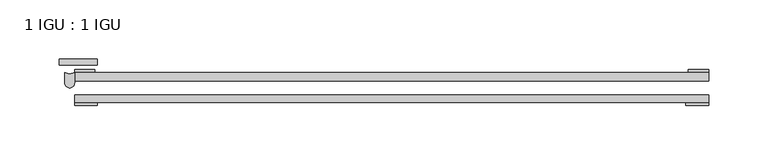
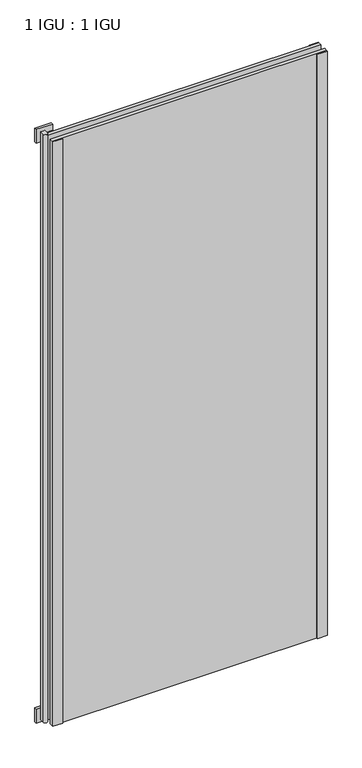
"""IFC4 building model written with IfcOpenShell, lengths in millimetres: plate geometry, 1 IGU : 1 IGU."""

import ifcopenshell
import ifcopenshell.guid

model = None  # the IFC model being written
_history = None  # IfcOwnerHistory: only IFC2X3 demands one
_inside = {}  # id of a spatial element -> (the spatial element, [elements in it])
_under = {}  # id of a project, library or spatial element -> (it, [spatial elements below it])
_declared = {}  # id of a project -> (the project, [libraries it declares])
_typed = {}  # id of a type object -> (the type object, [elements of that type])
_made_of = {}  # id of a material, layer set ... -> (it, [elements and type objects made of it])


def new_model(schema):
    """Start an empty IFC model of exactly this schema.

    Asked for "IFC4X3", IfcOpenShell would pick the latest addendum, in which some entities
    have other attributes; the version numbers below select the first issue.
    IFC2X3 requires an IfcOwnerHistory on every rooted entity: one is made here for all.
    """
    global model, _history
    if schema == "IFC4X3":
        model = ifcopenshell.file(schema_version=(4, 3, 0, 0))
    else:
        model = ifcopenshell.file(schema=schema)
    _inside.clear()
    _under.clear()
    _declared.clear()
    _typed.clear()
    _made_of.clear()
    _history = None
    if model.schema == "IFC2X3":
        org = make("IfcOrganization", Name="unknown")
        user = make(
            "IfcPersonAndOrganization",
            ThePerson=make("IfcPerson", FamilyName="unknown"),
            TheOrganization=org,
        )
        app = make(
            "IfcApplication",
            ApplicationDeveloper=org,
            Version="unknown",
            ApplicationFullName="unknown",
            ApplicationIdentifier="unknown",
        )
        _history = make(
            "IfcOwnerHistory",
            OwningUser=user,
            OwningApplication=app,
            ChangeAction="ADDED",
            CreationDate=0,
        )
    return model


def make(cls, **values):
    """One entity of the class cls with the attributes given. An attribute that is None is left unset."""
    return model.create_entity(
        cls, **{name: value for name, value in values.items() if value is not None}
    )


def rooted(cls, **values):
    """An entity with a GlobalId (a new one), such as an element, a storey or a relation."""
    return make(cls, GlobalId=ifcopenshell.guid.new(), OwnerHistory=_history, **values)


def si_unit(unit_type, name, prefix=None):
    """IfcSIUnit, for example si_unit("LENGTHUNIT", "METRE", prefix="MILLI")."""
    return make("IfcSIUnit", UnitType=unit_type, Prefix=prefix, Name=name)


def assignment(units):
    """IfcUnitAssignment: the units of a project."""
    return None if units is None else make("IfcUnitAssignment", Units=units)


def point(xyz):
    """IfcCartesianPoint."""
    return None if xyz is None else make("IfcCartesianPoint", Coordinates=xyz)


def direction(xyz):
    """IfcDirection."""
    return None if xyz is None else make("IfcDirection", DirectionRatios=xyz)


def frame(location, z_axis=None, x_axis=None):
    """IfcAxis2Placement3D, a coordinate frame: its origin and axes. An axis left out is left unset."""
    return make(
        "IfcAxis2Placement3D",
        Location=point(location),
        Axis=direction(z_axis),
        RefDirection=direction(x_axis),
    )


def frame_2d(location, x_axis=None):
    """IfcAxis2Placement2D, a coordinate frame in the plane: its origin and x axis."""
    return make(
        "IfcAxis2Placement2D", Location=point(location), RefDirection=direction(x_axis)
    )


def origin():
    """The frame at (0, 0, 0) with its axes left unset."""
    return frame((0.0, 0.0, 0.0))


def place(relative_to, where):
    """IfcLocalPlacement: puts the frame where relative to a parent placement (None: the world)."""
    return make(
        "IfcLocalPlacement", PlacementRelTo=relative_to, RelativePlacement=where
    )


def context(
    kind, dimensions, precision=None, world=None, true_north=None, identifier=None
):
    """IfcGeometricRepresentationContext, for example the 3D "Model" context."""
    return make(
        "IfcGeometricRepresentationContext",
        ContextIdentifier=identifier,
        ContextType=kind,
        CoordinateSpaceDimension=dimensions,
        Precision=precision,
        WorldCoordinateSystem=world,
        TrueNorth=true_north,
    )


def project(units=None, contexts=None):
    """IfcProject with its units and contexts."""
    return rooted(
        "IfcProject",
        Name="project",
        RepresentationContexts=contexts,
        UnitsInContext=assignment(units),
    )


def spatial(cls, under=None, at=None, **own):
    """A site, building, storey or space (cls), placed at a placement, below another one or the project."""
    s = rooted(cls, ObjectPlacement=at, **own)
    if under is not None:
        _under.setdefault(under.id(), (under, []))[1].append(s)
    return s


def polyline(points):
    """IfcPolyline through the points."""
    return make("IfcPolyline", Points=[point(p) for p in points])


def circle_curve(where, radius):
    """IfcCircle in the frame where."""
    return make("IfcCircle", Position=where, Radius=radius)


def trimmed(basis, trim1, trim2, sense, master):
    """IfcTrimmedCurve: the piece of a basis curve between two trims."""
    return make(
        "IfcTrimmedCurve",
        BasisCurve=basis,
        Trim1=trim1,
        Trim2=trim2,
        SenseAgreement=sense,
        MasterRepresentation=master,
    )


def segment(curve, same_sense, transition):
    """IfcCompositeCurveSegment."""
    return make(
        "IfcCompositeCurveSegment",
        Transition=transition,
        SameSense=same_sense,
        ParentCurve=curve,
    )


def composite_curve(segments, self_intersect=None):
    """IfcCompositeCurve: segments joined end to end."""
    return make("IfcCompositeCurve", Segments=segments, SelfIntersect=self_intersect)


def outline(outer, holes=None, kind="AREA"):
    """IfcArbitraryClosedProfileDef: a profile drawn as a closed curve; with holes, ...WithVoids."""
    if holes is None:
        return make("IfcArbitraryClosedProfileDef", ProfileType=kind, OuterCurve=outer)
    return make(
        "IfcArbitraryProfileDefWithVoids",
        ProfileType=kind,
        OuterCurve=outer,
        InnerCurves=holes,
    )


def extrude(swept, where, along, depth):
    """IfcExtrudedAreaSolid: the profile swept, set in the frame where, extruded along a direction by depth."""
    return make(
        "IfcExtrudedAreaSolid",
        SweptArea=swept,
        Position=where,
        ExtrudedDirection=direction(along),
        Depth=depth,
    )


def shape(context_of_items, identifier, shape_type, items):
    """IfcShapeRepresentation: the items that make up one representation, for example the "Body"."""
    return make(
        "IfcShapeRepresentation",
        ContextOfItems=context_of_items,
        RepresentationIdentifier=identifier,
        RepresentationType=shape_type,
        Items=items,
    )


def source(mapping_origin, context_of_items, identifier, shape_type, items):
    """IfcRepresentationMap: a shape defined once, which mapped items show again and again."""
    return make(
        "IfcRepresentationMap",
        MappingOrigin=mapping_origin,
        MappedRepresentation=shape(context_of_items, identifier, shape_type, items),
    )


def transform(
    local_origin,
    x_axis=None,
    y_axis=None,
    z_axis=None,
    scale=None,
    scale2=None,
    scale3=None,
    uniform=True,
):
    """IfcCartesianTransformationOperator3D, or its non-uniform kind. x_axis, y_axis, z_axis: its Axis1, 2, 3."""
    if uniform:
        return make(
            "IfcCartesianTransformationOperator3D",
            Axis1=direction(x_axis),
            Axis2=direction(y_axis),
            LocalOrigin=point(local_origin),
            Scale=scale,
            Axis3=direction(z_axis),
        )
    return make(
        "IfcCartesianTransformationOperator3DnonUniform",
        Axis1=direction(x_axis),
        Axis2=direction(y_axis),
        LocalOrigin=point(local_origin),
        Scale=scale,
        Axis3=direction(z_axis),
        Scale2=scale2,
        Scale3=scale3,
    )


def mapped(mapping_source, mapping_target):
    """IfcMappedItem: shows the shape of a source again, moved by a transform."""
    return make(
        "IfcMappedItem", MappingSource=mapping_source, MappingTarget=mapping_target
    )


def made_of(thing, what):
    """Note that an element or type object is made of a material, layer set ...; save() writes the relation."""
    if what is not None:
        _made_of.setdefault(what.id(), (what, []))[1].append(thing)
    return thing


def element(
    cls,
    number,
    at=None,
    inside=None,
    cuts=None,
    type_object=None,
    material=None,
    context=None,
    identifier="Body",
    shape_type=None,
    held_by="IfcProductDefinitionShape",
    body=None,
    shapes=None,
    **own,
):
    """One element of the class cls, such as IfcWall. Its Tag is "e" and its number.

    at: its placement. inside: the storey or other place that contains it. cuts: it is an
    opening in that element (IfcRelVoidsElement). A single representation is given by context,
    identifier, shape_type and body (its items); several are given by shapes. held_by: the class
    of the entity that holds the representations. save() writes the other relations.
    """
    e = rooted(cls, Tag="e%d" % number, ObjectPlacement=at, **own)
    if body is not None:
        shapes = [shape(context, identifier, shape_type, body)]
    if shapes is not None:
        e.Representation = make(held_by, Representations=shapes)
    if inside is not None:
        _inside.setdefault(inside.id(), (inside, []))[1].append(e)
    if cuts is not None:
        rooted(
            "IfcRelVoidsElement", RelatingBuildingElement=cuts, RelatedOpeningElement=e
        )
    if type_object is not None:
        _typed.setdefault(type_object.id(), (type_object, []))[1].append(e)
    return made_of(e, material)


def aggregate(whole, parts):
    """IfcRelAggregates: a whole, such as a stair, and the parts it consists of."""
    return rooted("IfcRelAggregates", RelatingObject=whole, RelatedObjects=parts)


def save(model, path):
    """Write the relations noted so far, then the file.

    IfcRelAggregates (storeys below a building ...), IfcRelContainedInSpatialStructure (elements
    in a storey), IfcRelDefinesByType, IfcRelAssociatesMaterial and IfcRelDeclares: one each for
    every whole, place, type object, material and project.
    """
    for whole, parts in _under.values():
        aggregate(whole, parts)
    for where, things in _inside.values():
        rooted(
            "IfcRelContainedInSpatialStructure",
            RelatedElements=things,
            RelatingStructure=where,
        )
    for kind, things in _typed.values():
        rooted("IfcRelDefinesByType", RelatedObjects=things, RelatingType=kind)
    for what, things in _made_of.values():
        rooted("IfcRelAssociatesMaterial", RelatedObjects=things, RelatingMaterial=what)
    for by, libraries in _declared.values():
        rooted("IfcRelDeclares", RelatingContext=by, RelatedDefinitions=libraries)
    model.write(path)


def plate_1_igu_1_igu_67896d22(model_context):
    return source(origin(), model_context, "Body", "SweptSolid", [
        extrude(outline(polyline([(266.7, -11.6085937), (266.7, -18.8576359), (-266.7, -18.8576359), (-266.7, -11.6085937), (266.7, -11.6085937)])), frame((0.0, 0.0, -19.05), z_axis=(0.0, 0.0, 1.0), x_axis=(1.0, 0.0, 0.0)), (0.0, 0.0, 1.0), 1200.15),
        extrude(outline(polyline([(-266.7, -30.7093937), (266.7, -30.7093937), (266.7, -37.0085937), (-266.7, -37.0085937), (-266.7, -30.7093937)])), frame((0.0, 0.0, -19.05), z_axis=(0.0, 0.0, 1.0), x_axis=(1.0, 0.0, 0.0)), (0.0, 0.0, 1.0), 1200.15),
        extrude(outline(polyline([(-247.65, -5.3578125), (-279.4, -5.3578125), (-279.4, -0.4960938), (-247.65, -0.4960938), (-247.65, -5.3578125)])), frame((0.0, 0.0, -28.575), z_axis=(0.0, 0.0, 1.0), x_axis=(1.0, 0.0, 0.0)), (0.0, 0.0, 1.0), 28.575),
        extrude(outline(polyline([(-279.4, -5.3578125), (-279.4, -0.4960938), (-247.65, -0.4960938), (-247.65, -5.3578125), (-279.4, -5.3578125)])), frame((0.0, 0.0, 1162.05), z_axis=(0.0, 0.0, 1.0), x_axis=(1.0, 0.0, 0.0)), (0.0, 0.0, 1.0), 28.575),
        extrude(outline(composite_curve([segment(trimmed(circle_curve(frame_2d((-270.7937298, -4.9389529)), 7.8257736), [point((-274.8874596, -11.6085937))], [point((-266.7, -11.6085937))], True, "CARTESIAN"), True, "CONTINUOUS"), segment(polyline([(-266.7, -11.6085937), (-266.7, -20.4985937)]), True, "CONTINUOUS"), segment(trimmed(circle_curve(frame_2d((-270.7937298, -20.4985937)), 4.0937298), [point((-266.7, -20.4985937))], [point((-274.8874596, -20.4985937))], False, "CARTESIAN"), True, "CONTINUOUS"), segment(polyline([(-274.8874596, -20.4985937), (-274.8874596, -11.6085937)]), True, "CONTINUOUS")], self_intersect=False)), frame((0.0, 0.0, -19.05), z_axis=(0.0, 0.0, 1.0), x_axis=(1.0, 0.0, 0.0)), (0.0, 0.0, 1.0), 1207.2874),
        extrude(outline(polyline([(247.65, -37.0085937), (266.7, -37.0085937), (266.7, -39.2945938), (247.65, -39.2945938), (247.65, -37.0085937)])), frame((0.0, 0.0, -19.05), z_axis=(0.0, 0.0, 1.0), x_axis=(1.0, 0.0, 0.0)), (0.0, 0.0, 1.0), 1200.15),
        extrude(outline(polyline([(266.7, -9.3247196), (266.7, -11.6085937), (249.6185, -11.6085937), (249.6185, -9.3247196), (266.7, -9.3247196)])), frame((0.0, 0.0, -19.05), z_axis=(0.0, 0.0, 1.0), x_axis=(1.0, 0.0, 0.0)), (0.0, 0.0, 1.0), 1200.15),
        extrude(outline(polyline([(-266.7, -39.2945937), (-266.7, -37.0085937), (-247.65, -37.0085937), (-247.65, -39.2945937), (-266.7, -39.2945937)])), frame((0.0, 0.0, -19.05), z_axis=(0.0, 0.0, 1.0), x_axis=(1.0, 0.0, 0.0)), (0.0, 0.0, 1.0), 1200.15),
        extrude(outline(polyline([(-266.7, -11.6107196), (-266.7, -9.2273437), (-249.6185, -9.2273437), (-249.6185, -11.6107196), (-266.7, -11.6107196)])), frame((0.0, 0.0, -19.05), z_axis=(0.0, 0.0, 1.0), x_axis=(1.0, 0.0, 0.0)), (0.0, 0.0, 1.0), 1200.15),
    ])


if __name__ == "__main__":
    model = new_model("IFC4")
    model_context = context("Model", 3, world=origin())
    ifc_project = project(units=[si_unit("LENGTHUNIT", "METRE", prefix="MILLI")], contexts=[model_context])
    site = spatial("IfcSite", under=ifc_project)
    building = spatial("IfcBuilding", under=site)
    placement = place(None, origin())
    plate_1_igu_1_igu_shape = plate_1_igu_1_igu_67896d22(model_context)
    element("IfcPlate", 1, ObjectType="1 IGU : 1 IGU", at=placement, inside=building, context=model_context, shape_type="MappedRepresentation", body=[
        mapped(plate_1_igu_1_igu_shape, transform((0.0, 0.0, 0.0), x_axis=(1.0, 0.0, 0.0), y_axis=(0.0, 1.0, 0.0), z_axis=(0.0, 0.0, 1.0))),
    ])
    save(model, "model.ifc")
